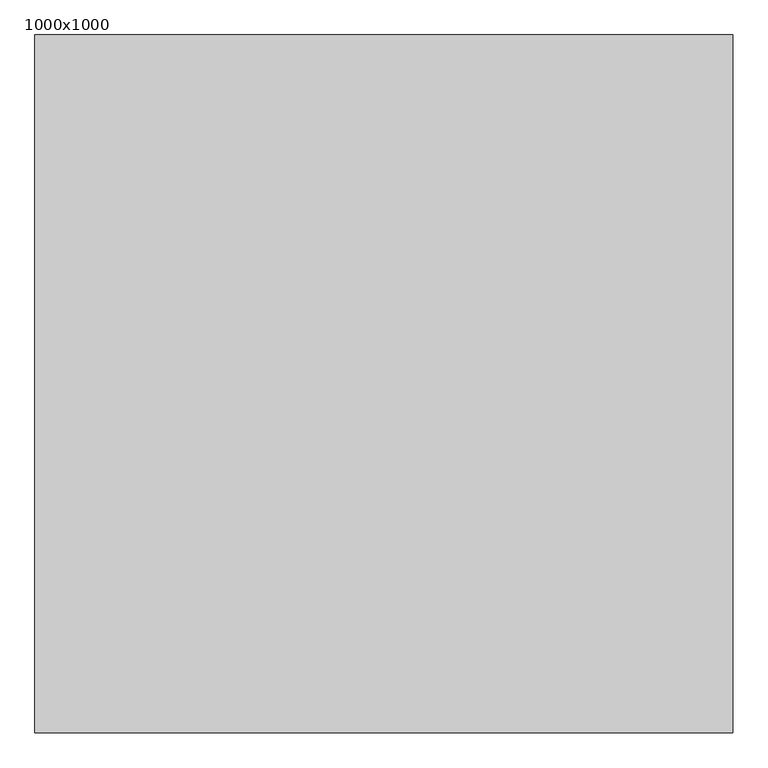
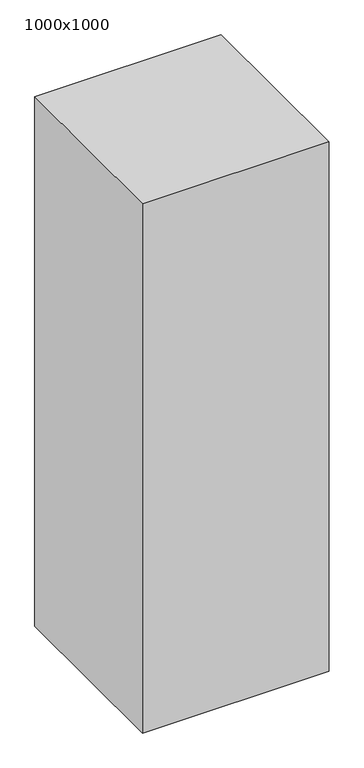
"""IFC4 building model written with IfcOpenShell, lengths in millimetres: proxy geometry, 1000x1000."""

from ifc_helpers import new_model, si_unit, origin, origin_with_axes, place, context, project, spatial, polyline, outline, extrude, source, transform, mapped, element, save


def proxy_1000x1000_6f8497a5(model_context):
    return source(origin(), model_context, "Body", "SweptSolid", [
        extrude(outline(polyline([(2407.3826163, -500.0), (3407.3826163, -500.0), (3407.3826163, -1500.0), (2407.3826163, -1500.0), (2407.3826163, -500.0)])), origin_with_axes(), (0.0, 0.0, 1.0), 3000.0),
    ])


if __name__ == "__main__":
    model = new_model("IFC4")
    model_context = context("Model", 3, world=origin())
    ifc_project = project(units=[si_unit("LENGTHUNIT", "METRE", prefix="MILLI")], contexts=[model_context])
    site = spatial("IfcSite", under=ifc_project)
    building = spatial("IfcBuilding", under=site)
    placement = place(None, origin())
    proxy_1000x1000_shape = proxy_1000x1000_6f8497a5(model_context)
    element("IfcBuildingElementProxy", 1, Name="1000x1000", ObjectType="1000x1000", at=placement, inside=building, context=model_context, shape_type="MappedRepresentation", body=[
        mapped(proxy_1000x1000_shape, transform((0.0, 0.0, 0.0), x_axis=(1.0, 0.0, 0.0), y_axis=(0.0, 1.0, 0.0), z_axis=(0.0, 0.0, 1.0))),
    ])
    save(model, "model.ifc")
